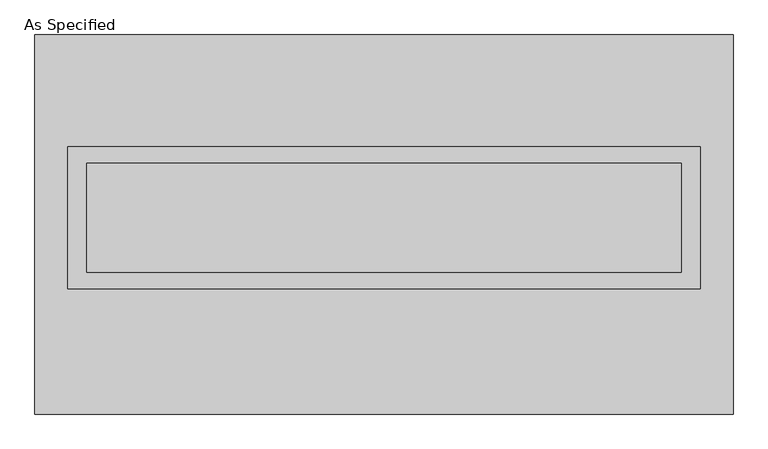
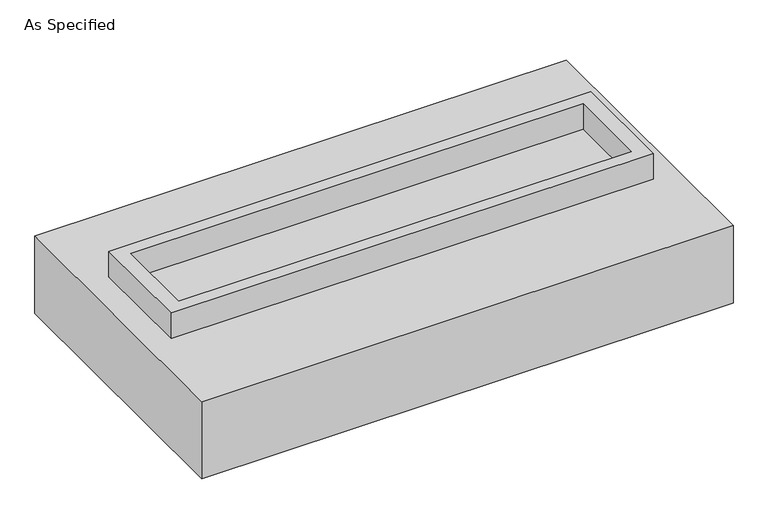
"""IFC4 building model written with IfcOpenShell, lengths in millimetres: proxy geometry, As Specified."""

from ifc_helpers import new_model, si_unit, frame, origin, place, context, project, spatial, polyline, outline, extrude, faceted_brep, source, transform, mapped, element, save


def as_specified_d369e5c2(model_context):
    return source(origin(), model_context, "Body", "SolidModel", [
        extrude(outline(polyline([(1473.2, 361.95), (1473.2, -298.45), (-1473.2, -298.45), (-1473.2, 361.95), (1473.2, 361.95)]), holes=[polyline([(1384.3, 285.75), (-1384.3, 285.75), (-1384.3, -222.25), (1384.3, -222.25), (1384.3, 285.75)])]), frame((0.0, 0.0, -25.4), z_axis=(0.0, 0.0, 1.0), x_axis=(1.0, 0.0, 0.0)), (0.0, 0.0, 1.0), 165.1),
        extrude(outline(polyline([(1384.3, 285.75), (1384.3, -222.25), (-1384.3, -222.25), (-1384.3, 285.75), (1384.3, 285.75)])), frame((0.0, 0.0, -30.3609375), z_axis=(0.0, 0.0, 1.0), x_axis=(1.0, 0.0, 0.0)), (0.0, 0.0, 1.0), 4.9609375),
        faceted_brep([(1625.6, -882.65, -523.875), (-1625.6, -882.65, -523.875), (-1625.6, 882.65, -523.875), (1625.6, 882.65, -523.875), (1625.6, 882.65, -25.4), (-1625.6, 882.65, -25.4), (-1625.6, -882.65, -25.4), (1625.6, -882.65, -25.4), (1473.2, 361.95, -25.4), (1473.2, -298.45, -25.4), (-1473.2, -298.45, -25.4), (-1473.2, 361.95, -25.4), (1473.2, 361.95, -498.475), (-1473.2, 361.95, -498.475), (-1473.2, -298.45, -498.475), (1473.2, -298.45, -498.475)], [[[0, 1, 2, 3]], [[4, 5, 6, 7], [8, 9, 10, 11]], [[3, 2, 5, 4]], [[2, 1, 6, 5]], [[0, 3, 4, 7]], [[12, 13, 14, 15]], [[14, 13, 11, 10]], [[13, 12, 8, 11]], [[12, 15, 9, 8]], [[10, 9, 15, 14]], [[1, 0, 7, 6]]]),
    ])


if __name__ == "__main__":
    model = new_model("IFC4")
    model_context = context("Model", 3, world=origin())
    ifc_project = project(units=[si_unit("LENGTHUNIT", "METRE", prefix="MILLI")], contexts=[model_context])
    site = spatial("IfcSite", under=ifc_project)
    building = spatial("IfcBuilding", under=site)
    placement = place(None, origin())
    as_specified_shape = as_specified_d369e5c2(model_context)
    element("IfcBuildingElementProxy", 1, Name="As Specified", ObjectType="As Specified", at=placement, inside=building, context=model_context, shape_type="MappedRepresentation", body=[
        mapped(as_specified_shape, transform((0.0, 0.0, 0.0), x_axis=(1.0, 0.0, 0.0), y_axis=(0.0, 1.0, 0.0), z_axis=(0.0, 0.0, 1.0))),
    ])
    save(model, "model.ifc")
